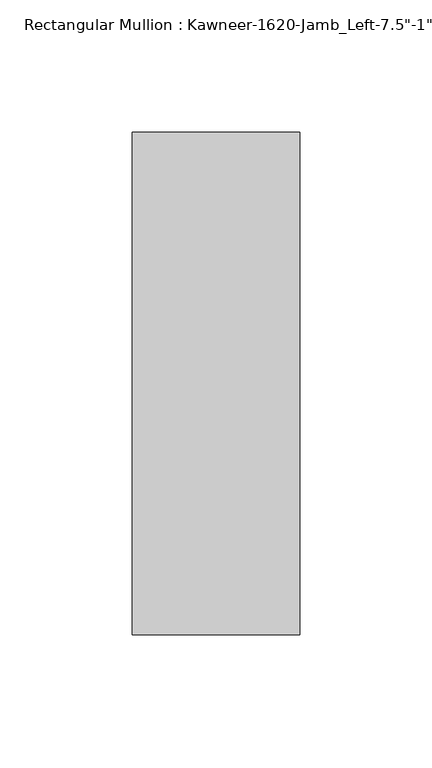
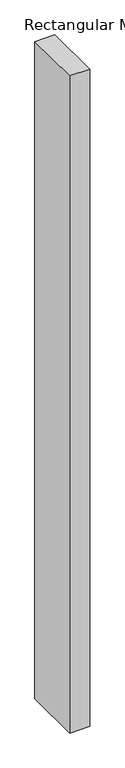
"""IFC4 building model written with IfcOpenShell, lengths in millimetres: member geometry."""

from ifc_helpers import new_model, si_unit, frame, origin, place, context, project, spatial, polyline, outline, extrude, source, transform, mapped, element, save


def member_f7220f62(model_context):
    return source(origin(), model_context, "Body", "SweptSolid", [
        extrude(outline(polyline([(-63.5, 38.1), (0.0, 38.1), (0.0, -152.4), (-63.5, -152.4), (-63.5, 38.1)])), frame((0.0, 0.0, -2203.45), z_axis=(0.0, 0.0, 1.0), x_axis=(1.0, 0.0, 0.0)), (0.0, 0.0, 1.0), 2203.45),
    ])


if __name__ == "__main__":
    model = new_model("IFC4")
    model_context = context("Model", 3, world=origin())
    ifc_project = project(units=[si_unit("LENGTHUNIT", "METRE", prefix="MILLI")], contexts=[model_context])
    site = spatial("IfcSite", under=ifc_project)
    building = spatial("IfcBuilding", under=site)
    placement = place(None, origin())
    member_shape = member_f7220f62(model_context)
    element("IfcMember", 1, ObjectType="Rectangular Mullion : Kawneer-1620-Jamb_Left-7.5\"-1\"Infill", at=placement, inside=building, context=model_context, shape_type="MappedRepresentation", body=[
        mapped(member_shape, transform((0.0, 0.0, 0.0), x_axis=(1.0, 0.0, 0.0), y_axis=(0.0, 1.0, 0.0), z_axis=(0.0, 0.0, 1.0))),
    ])
    save(model, "model.ifc")
